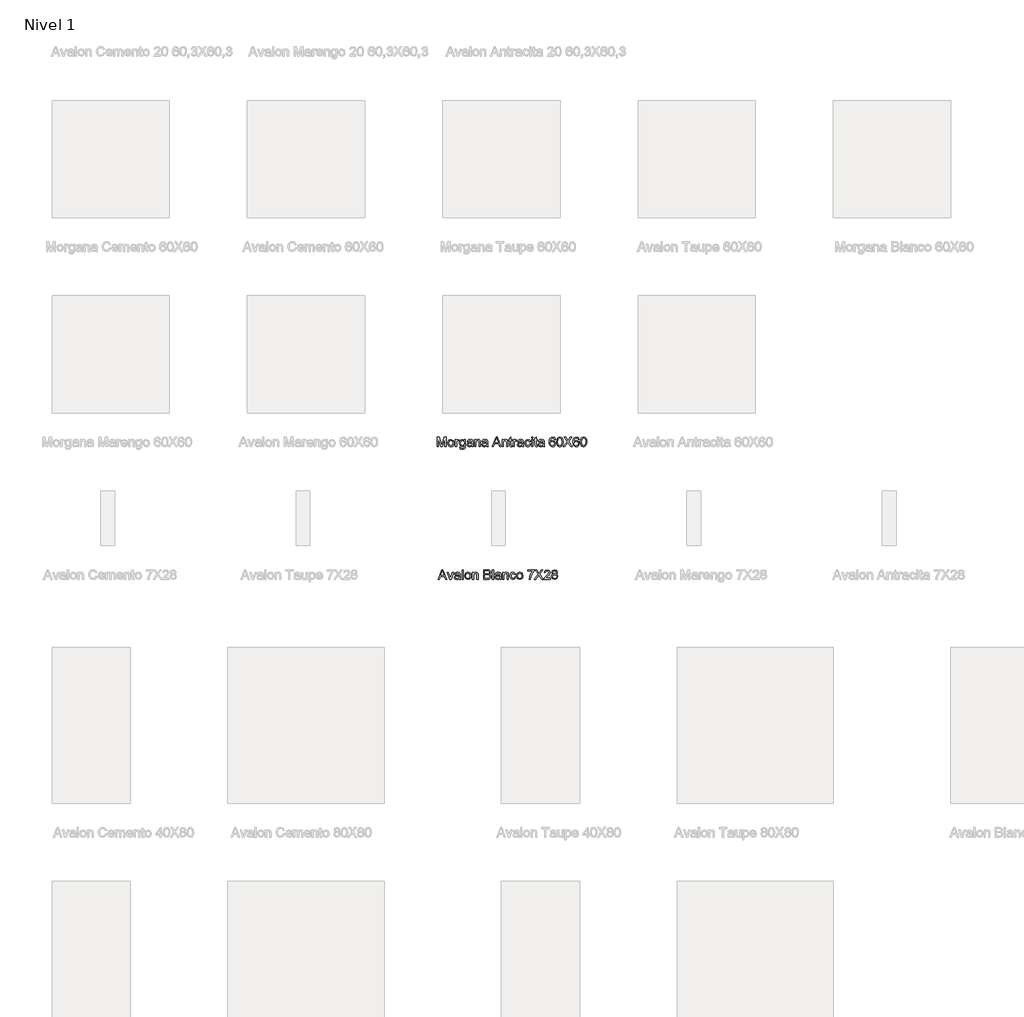
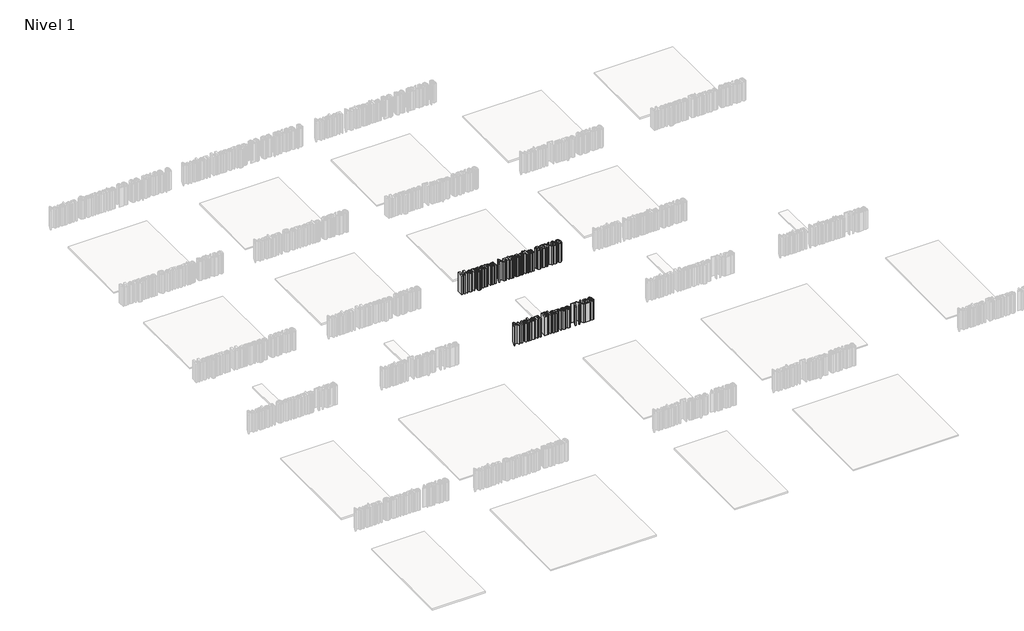
# One storey, part 6 of 11: 2 proxies.
"""IFC4 building model written with IfcOpenShell, lengths in millimetres."""

from ifc_helpers import new_model, si_unit, origin, origin_with_axes, place, context, project, spatial, polyline, outline, extrude, element, save

model = new_model("IFC4")

# Units and contexts
model_context = context("Model", 3, world=origin())
ifc_project = project(units=[si_unit("LENGTHUNIT", "METRE", prefix="MILLI")], contexts=[model_context])

# Site, building, storey
site = spatial("IfcSite", under=ifc_project)
building = spatial("IfcBuilding", under=site)
storey = spatial("IfcBuildingStorey", under=building, Name="Nivel 1", Elevation=0.0)

# Proxies
placement = place(None, origin())
element("IfcBuildingElementProxy", 1, Name="Texto de modelo 1", ObjectType="Texto de modelo 1", at=placement, inside=storey, context=model_context, shape_type="SweptSolid", body=[
    extrude(outline(polyline([(1971.5673496, -2172.9229512), (1971.5673496, -2123.692182), (1982.156292, -2123.692182), (1992.2284073, -2158.3917012), (1994.2596573, -2165.6392974), (1996.4591766, -2157.7907397), (2006.3630227, -2123.692182), (2016.951965, -2123.692182), (2016.951965, -2172.9229512), (2010.7981189, -2172.9229512), (2010.7981189, -2129.8460282), (1998.4303304, -2172.9229512), (1990.0889843, -2172.9229512), (1977.7211958, -2129.8460282), (1977.7211958, -2172.9229512), (1971.5673496, -2172.9229512)])), origin_with_axes(), (0.0, 0.0, 1.0), 150.0),
    extrude(outline(polyline([(2025.4135035, -2154.8460282), (2026.7446333, -2146.1290811), (2030.7380227, -2140.0022782), (2041.5793689, -2135.9998743), (2053.2079746, -2140.8736724), (2057.7211958, -2154.3412205), (2055.7260035, -2165.2907397), (2049.9147054, -2171.4866532), (2041.5793689, -2173.692182), (2029.8786477, -2168.8364128), (2025.4135035, -2154.8460282)]), holes=[polyline([(2031.5673496, -2154.8340089), (2034.4159073, -2164.3712686), (2041.5793689, -2167.5383359), (2048.718792, -2164.3532397), (2051.5673496, -2154.6417012), (2048.7007631, -2145.3207878), (2041.5793689, -2142.1537205), (2034.4159073, -2145.3087686), (2031.5673496, -2154.8340089)])]), origin_with_axes(), (0.0, 0.0, 1.0), 150.0),
    extrude(outline(polyline([(2064.6442727, -2172.9229512), (2064.6442727, -2136.7691051), (2070.0288881, -2136.7691051), (2070.0288881, -2142.1176628), (2073.8510035, -2137.1897782), (2077.6971573, -2135.9998743), (2083.875042, -2137.8989128), (2081.8197535, -2143.4157397), (2077.4928304, -2142.1537205), (2074.0132631, -2143.3676628), (2071.795715, -2146.7330474), (2070.7981189, -2153.9205474), (2070.7981189, -2172.9229512), (2064.6442727, -2172.9229512)])), origin_with_axes(), (0.0, 0.0, 1.0), 150.0),
    extrude(outline(polyline([(2086.1827343, -2175.9998743), (2092.3365804, -2176.7691051), (2094.3317727, -2180.0142974), (2100.3053304, -2181.3844897), (2106.6034073, -2179.8340089), (2109.608215, -2175.4830474), (2110.0288881, -2168.3075666), (2100.4135035, -2172.9229512), (2089.3377823, -2167.5503551), (2085.4135035, -2154.6657397), (2087.1743208, -2145.1284801), (2092.2704746, -2138.379682), (2100.1130227, -2135.9998743), (2110.0288881, -2141.3844897), (2110.0288881, -2136.7691051), (2116.1827343, -2136.7691051), (2116.1827343, -2167.9830474), (2114.500042, -2179.9361724), (2109.1695131, -2185.4950666), (2100.1851381, -2187.5383359), (2089.9507631, -2184.6597301), (2086.1827343, -2175.9998743)]), holes=[polyline([(2091.5673496, -2154.2450666), (2094.1935516, -2163.770307), (2100.7860996, -2166.7691051), (2107.3666285, -2163.7883359), (2110.0288881, -2154.4253551), (2107.2885035, -2145.2486724), (2100.6899458, -2142.1537205), (2094.2296093, -2145.2005955), (2091.5673496, -2154.2450666)])]), origin_with_axes(), (0.0, 0.0, 1.0), 150.0),
    extrude(outline(polyline([(2148.4904266, -2168.3075666), (2142.5228785, -2172.4782397), (2135.9303304, -2173.692182), (2126.9940323, -2170.7715089), (2123.875042, -2163.3075666), (2125.0529266, -2158.4397782), (2128.1478785, -2154.9061243), (2132.4567727, -2152.8868936), (2137.781292, -2151.9614128), (2148.4543689, -2149.8460282), (2146.795715, -2143.9325666), (2139.9928304, -2142.1537205), (2133.7668689, -2143.3376147), (2130.7981189, -2147.5383359), (2124.6442727, -2146.7691051), (2127.3065323, -2140.7594897), (2132.6671093, -2137.2378551), (2140.7860996, -2135.9998743), (2148.2440323, -2137.0936243), (2152.4567727, -2139.8400186), (2154.343792, -2144.0167012), (2154.6442727, -2149.4013166), (2154.6442727, -2157.0575666), (2154.9567727, -2167.7486724), (2156.1827343, -2172.9229512), (2150.0288881, -2172.9229512), (2148.4904266, -2168.3075666)]), holes=[polyline([(2148.4904266, -2155.9998743), (2138.562542, -2157.8868936), (2133.2680708, -2158.8844897), (2130.8702343, -2160.5070859), (2130.0288881, -2162.8748743), (2131.8618208, -2166.2042012), (2137.2404266, -2167.5383359), (2143.4663881, -2166.0659801), (2147.4808112, -2162.5022782), (2148.4543689, -2157.7426628), (2148.4904266, -2155.9998743)])]), origin_with_axes(), (0.0, 0.0, 1.0), 150.0),
    extrude(outline(polyline([(2163.1058112, -2172.9229512), (2163.1058112, -2136.7691051), (2169.2596573, -2136.7691051), (2169.2596573, -2141.817182), (2173.9651862, -2137.4542012), (2180.389465, -2135.9998743), (2186.2007631, -2137.1717493), (2190.1671093, -2140.2486724), (2192.0120612, -2144.7739128), (2192.3365804, -2150.723432), (2192.3365804, -2172.9229512), (2186.1827343, -2172.9229512), (2186.1827343, -2151.5527589), (2185.4735996, -2146.1080474), (2182.96759, -2143.2294416), (2178.7428304, -2142.1537205), (2172.0661477, -2144.5695859), (2169.2596573, -2153.7402589), (2169.2596573, -2172.9229512), (2163.1058112, -2172.9229512)])), origin_with_axes(), (0.0, 0.0, 1.0), 150.0),
    extrude(outline(polyline([(2223.875042, -2168.3075666), (2217.9074939, -2172.4782397), (2211.3149458, -2173.692182), (2202.3786477, -2170.7715089), (2199.2596573, -2163.3075666), (2200.437542, -2158.4397782), (2203.5324939, -2154.9061243), (2207.8413881, -2152.8868936), (2213.1659073, -2151.9614128), (2223.8389843, -2149.8460282), (2222.1803304, -2143.9325666), (2215.3774458, -2142.1537205), (2209.1514843, -2143.3376147), (2206.1827343, -2147.5383359), (2200.0288881, -2146.7691051), (2202.6911477, -2140.7594897), (2208.0517246, -2137.2378551), (2216.170715, -2135.9998743), (2223.6286477, -2137.0936243), (2227.8413881, -2139.8400186), (2229.7284073, -2144.0167012), (2230.0288881, -2149.4013166), (2230.0288881, -2157.0575666), (2230.3413881, -2167.7486724), (2231.5673496, -2172.9229512), (2225.4135035, -2172.9229512), (2223.875042, -2168.3075666)]), holes=[polyline([(2223.875042, -2155.9998743), (2213.9471573, -2157.8868936), (2208.6526862, -2158.8844897), (2206.2548496, -2160.5070859), (2205.4135035, -2162.8748743), (2207.2464362, -2166.2042012), (2212.625042, -2167.5383359), (2218.8510035, -2166.0659801), (2222.8654266, -2162.5022782), (2223.8389843, -2157.7426628), (2223.875042, -2155.9998743)])]), origin_with_axes(), (0.0, 0.0, 1.0), 150.0),
    extrude(outline(polyline([(2252.7572535, -2172.9229512), (2272.4086958, -2123.692182), (2277.6490804, -2123.692182), (2297.3005227, -2172.9229512), (2290.7981189, -2172.9229512), (2285.1610996, -2157.5383359), (2264.8846573, -2157.5383359), (2259.2596573, -2172.9229512), (2252.7572535, -2172.9229512)]), holes=[polyline([(2267.1442727, -2151.3844897), (2282.9135035, -2151.3844897), (2278.4784073, -2139.2811243), (2275.0288881, -2129.8460282), (2271.9639843, -2138.223432), (2267.1442727, -2151.3844897)])]), origin_with_axes(), (0.0, 0.0, 1.0), 150.0),
    extrude(outline(polyline([(2303.1058112, -2172.9229512), (2303.1058112, -2136.7691051), (2309.2596573, -2136.7691051), (2309.2596573, -2141.817182), (2313.9651862, -2137.4542012), (2320.389465, -2135.9998743), (2326.2007631, -2137.1717493), (2330.1671093, -2140.2486724), (2332.0120612, -2144.7739128), (2332.3365804, -2150.723432), (2332.3365804, -2172.9229512), (2326.1827343, -2172.9229512), (2326.1827343, -2151.5527589), (2325.4735996, -2146.1080474), (2322.96759, -2143.2294416), (2318.7428304, -2142.1537205), (2312.0661477, -2144.5695859), (2309.2596573, -2153.7402589), (2309.2596573, -2172.9229512), (2303.1058112, -2172.9229512)])), origin_with_axes(), (0.0, 0.0, 1.0), 150.0),
    extrude(outline(polyline([(2353.875042, -2167.7907397), (2354.6442727, -2173.1032397), (2350.0409073, -2173.692182), (2344.8846573, -2172.6705474), (2342.312542, -2169.9902589), (2341.5673496, -2163.0070859), (2341.5673496, -2142.9229512), (2336.951965, -2142.9229512), (2336.951965, -2136.7691051), (2341.5673496, -2136.7691051), (2341.5673496, -2127.9830474), (2347.7211958, -2124.3652589), (2347.7211958, -2136.7691051), (2353.875042, -2136.7691051), (2353.875042, -2142.9229512), (2347.7211958, -2142.9229512), (2347.7211958, -2162.8267974), (2348.045715, -2165.9998743), (2351.1947535, -2167.5383359), (2353.875042, -2167.7907397)])), origin_with_axes(), (0.0, 0.0, 1.0), 150.0),
    extrude(outline(polyline([(2360.0288881, -2172.9229512), (2360.0288881, -2136.7691051), (2365.4135035, -2136.7691051), (2365.4135035, -2142.1176628), (2369.2356189, -2137.1897782), (2373.0817727, -2135.9998743), (2379.2596573, -2137.8989128), (2377.2043689, -2143.4157397), (2372.8774458, -2142.1537205), (2369.3978785, -2143.3676628), (2367.1803304, -2146.7330474), (2366.1827343, -2153.9205474), (2366.1827343, -2172.9229512), (2360.0288881, -2172.9229512)])), origin_with_axes(), (0.0, 0.0, 1.0), 150.0),
    extrude(outline(polyline([(2406.1827343, -2168.3075666), (2400.2151862, -2172.4782397), (2393.6226381, -2173.692182), (2384.68634, -2170.7715089), (2381.5673496, -2163.3075666), (2382.7452343, -2158.4397782), (2385.8401862, -2154.9061243), (2390.1490804, -2152.8868936), (2395.4735996, -2151.9614128), (2406.1466766, -2149.8460282), (2404.4880227, -2143.9325666), (2397.6851381, -2142.1537205), (2391.4591766, -2143.3376147), (2388.4904266, -2147.5383359), (2382.3365804, -2146.7691051), (2384.99884, -2140.7594897), (2390.359417, -2137.2378551), (2398.4784073, -2135.9998743), (2405.93634, -2137.0936243), (2410.1490804, -2139.8400186), (2412.0360996, -2144.0167012), (2412.3365804, -2149.4013166), (2412.3365804, -2157.0575666), (2412.6490804, -2167.7486724), (2413.875042, -2172.9229512), (2407.7211958, -2172.9229512), (2406.1827343, -2168.3075666)]), holes=[polyline([(2406.1827343, -2155.9998743), (2396.2548496, -2157.8868936), (2390.9603785, -2158.8844897), (2388.562542, -2160.5070859), (2387.7211958, -2162.8748743), (2389.5541285, -2166.2042012), (2394.9327343, -2167.5383359), (2401.1586958, -2166.0659801), (2405.1731189, -2162.5022782), (2406.1466766, -2157.7426628), (2406.1827343, -2155.9998743)])]), origin_with_axes(), (0.0, 0.0, 1.0), 150.0),
    extrude(outline(polyline([(2443.875042, -2159.8460282), (2450.0288881, -2160.6152589), (2445.0889843, -2170.2246339), (2435.3293689, -2173.692182), (2423.6647054, -2168.8544416), (2419.2596573, -2154.9782397), (2421.140667, -2144.7558839), (2426.87384, -2138.1873743), (2435.2452343, -2135.9998743), (2444.6022054, -2139.004682), (2449.2596573, -2147.5383359), (2443.1058112, -2148.3075666), (2440.2512439, -2143.6981916), (2435.2933112, -2142.1537205), (2428.1598977, -2145.1945859), (2425.4135035, -2154.8099705), (2428.0998016, -2164.5154993), (2435.125042, -2167.5383359), (2440.9243208, -2165.6513166), (2443.875042, -2159.8460282)])), origin_with_axes(), (0.0, 0.0, 1.0), 150.0),
    extrude(outline(polyline([(2455.4135035, -2129.8460282), (2455.4135035, -2123.692182), (2461.5673496, -2123.692182), (2461.5673496, -2129.8460282), (2455.4135035, -2129.8460282)])), origin_with_axes(), (0.0, 0.0, 1.0), 150.0),
    extrude(outline(polyline([(2455.4135035, -2172.9229512), (2455.4135035, -2136.7691051), (2461.5673496, -2136.7691051), (2461.5673496, -2172.9229512), (2455.4135035, -2172.9229512)])), origin_with_axes(), (0.0, 0.0, 1.0), 150.0),
    extrude(outline(polyline([(2483.875042, -2167.7907397), (2484.6442727, -2173.1032397), (2480.0409073, -2173.692182), (2474.8846573, -2172.6705474), (2472.312542, -2169.9902589), (2471.5673496, -2163.0070859), (2471.5673496, -2142.9229512), (2466.951965, -2142.9229512), (2466.951965, -2136.7691051), (2471.5673496, -2136.7691051), (2471.5673496, -2127.9830474), (2477.7211958, -2124.3652589), (2477.7211958, -2136.7691051), (2483.875042, -2136.7691051), (2483.875042, -2142.9229512), (2477.7211958, -2142.9229512), (2477.7211958, -2162.8267974), (2478.045715, -2165.9998743), (2481.1947535, -2167.5383359), (2483.875042, -2167.7907397)])), origin_with_axes(), (0.0, 0.0, 1.0), 150.0),
    extrude(outline(polyline([(2513.1058112, -2168.3075666), (2507.1382631, -2172.4782397), (2500.545715, -2173.692182), (2491.609417, -2170.7715089), (2488.4904266, -2163.3075666), (2489.6683112, -2158.4397782), (2492.7632631, -2154.9061243), (2497.0721573, -2152.8868936), (2502.3966766, -2151.9614128), (2513.0697535, -2149.8460282), (2511.4110996, -2143.9325666), (2504.608215, -2142.1537205), (2498.3822535, -2143.3376147), (2495.4135035, -2147.5383359), (2489.2596573, -2146.7691051), (2491.921917, -2140.7594897), (2497.2824939, -2137.2378551), (2505.4014843, -2135.9998743), (2512.859417, -2137.0936243), (2517.0721573, -2139.8400186), (2518.9591766, -2144.0167012), (2519.2596573, -2149.4013166), (2519.2596573, -2157.0575666), (2519.5721573, -2167.7486724), (2520.7981189, -2172.9229512), (2514.6442727, -2172.9229512), (2513.1058112, -2168.3075666)]), holes=[polyline([(2513.1058112, -2155.9998743), (2503.1779266, -2157.8868936), (2497.8834554, -2158.8844897), (2495.4856189, -2160.5070859), (2494.6442727, -2162.8748743), (2496.4772054, -2166.2042012), (2501.8558112, -2167.5383359), (2508.0817727, -2166.0659801), (2512.0961958, -2162.5022782), (2513.0697535, -2157.7426628), (2513.1058112, -2155.9998743)])]), origin_with_axes(), (0.0, 0.0, 1.0), 150.0),
    extrude(outline(polyline([(2576.951965, -2136.7691051), (2570.7981189, -2137.5383359), (2568.4663881, -2132.4061243), (2562.3005227, -2129.8460282), (2556.7476381, -2131.3364128), (2552.546917, -2136.9313647), (2550.7981189, -2147.8989128), (2556.2248016, -2142.989057), (2562.9495612, -2141.3844897), (2573.406292, -2145.7715089), (2577.7211958, -2157.1056436), (2575.6899458, -2165.5972301), (2570.1010035, -2171.6068455), (2562.0360996, -2173.692182), (2549.4940323, -2168.1633359), (2545.8567126, -2160.8436243), (2544.6442727, -2149.942182), (2545.9904266, -2137.6855714), (2550.0288881, -2129.3051628), (2555.5427102, -2125.0954272), (2562.6851381, -2123.692182), (2572.4086958, -2127.1657397), (2576.951965, -2136.7691051)]), holes=[polyline([(2550.7981189, -2157.0094897), (2552.2223977, -2162.3400186), (2556.0084554, -2166.2102109), (2561.5553304, -2167.5383359), (2568.8089362, -2164.785932), (2571.5673496, -2157.3099705), (2568.8449939, -2150.1525186), (2561.3029266, -2147.5383359), (2553.8570131, -2150.1525186), (2550.7981189, -2157.0094897)])]), origin_with_axes(), (0.0, 0.0, 1.0), 150.0),
    extrude(outline(polyline([(2583.1058112, -2148.7042012), (2584.9147054, -2134.5395378), (2590.2873016, -2126.3724705), (2599.2596573, -2123.692182), (2606.4471573, -2125.2787205), (2611.4110996, -2129.8520378), (2614.295715, -2137.1356916), (2615.4135035, -2148.7042012), (2613.6226381, -2162.8087686), (2608.2680708, -2170.9938647), (2599.2596573, -2173.692182), (2588.0096573, -2169.004682), (2584.3317727, -2160.6783599), (2583.1058112, -2148.7042012)]), holes=[polyline([(2589.2596573, -2148.692182), (2592.1442727, -2163.9746339), (2599.2596573, -2167.5383359), (2606.375042, -2163.9626147), (2609.2596573, -2148.692182), (2606.4711958, -2133.5840089), (2599.187542, -2129.8460282), (2592.2404266, -2133.1392974), (2589.2596573, -2148.692182)])]), origin_with_axes(), (0.0, 0.0, 1.0), 150.0),
    extrude(outline(polyline([(2617.7211958, -2172.9229512), (2636.6995612, -2146.0960282), (2620.7981189, -2123.692182), (2628.1779266, -2123.692182), (2637.1322535, -2136.3003551), (2640.1490804, -2141.2162205), (2643.6827343, -2136.2162205), (2652.5409073, -2123.692182), (2660.0288881, -2123.692182), (2644.1274458, -2146.1681436), (2663.1058112, -2172.9229512), (2655.7260035, -2172.9229512), (2643.0817727, -2155.0864128), (2640.4495612, -2151.3844897), (2637.5529266, -2155.4469897), (2625.2091766, -2172.9229512), (2617.7211958, -2172.9229512)])), origin_with_axes(), (0.0, 0.0, 1.0), 150.0),
    extrude(outline(polyline([(2698.4904266, -2136.7691051), (2692.3365804, -2137.5383359), (2690.0048496, -2132.4061243), (2683.8389843, -2129.8460282), (2678.2860996, -2131.3364128), (2674.0853785, -2136.9313647), (2672.3365804, -2147.8989128), (2677.7632631, -2142.989057), (2684.4880227, -2141.3844897), (2694.9447535, -2145.7715089), (2699.2596573, -2157.1056436), (2697.2284073, -2165.5972301), (2691.639465, -2171.6068455), (2683.5745612, -2173.692182), (2671.0324939, -2168.1633359), (2667.3951742, -2160.8436243), (2666.1827343, -2149.942182), (2667.5288881, -2137.6855714), (2671.5673496, -2129.3051628), (2677.0811718, -2125.0954272), (2684.2235996, -2123.692182), (2693.9471573, -2127.1657397), (2698.4904266, -2136.7691051)]), holes=[polyline([(2672.3365804, -2157.0094897), (2673.7608593, -2162.3400186), (2677.546917, -2166.2102109), (2683.093792, -2167.5383359), (2690.3473977, -2164.785932), (2693.1058112, -2157.3099705), (2690.3834554, -2150.1525186), (2682.8413881, -2147.5383359), (2675.3954746, -2150.1525186), (2672.3365804, -2157.0094897)])]), origin_with_axes(), (0.0, 0.0, 1.0), 150.0),
    extrude(outline(polyline([(2704.6442727, -2148.7042012), (2706.453167, -2134.5395378), (2711.8257631, -2126.3724705), (2720.7981189, -2123.692182), (2727.9856189, -2125.2787205), (2732.9495612, -2129.8520378), (2735.8341766, -2137.1356916), (2736.951965, -2148.7042012), (2735.1610996, -2162.8087686), (2729.8065323, -2170.9938647), (2720.7981189, -2173.692182), (2709.5481189, -2169.004682), (2705.8702343, -2160.6783599), (2704.6442727, -2148.7042012)]), holes=[polyline([(2710.7981189, -2148.692182), (2713.6827343, -2163.9746339), (2720.7981189, -2167.5383359), (2727.9135035, -2163.9626147), (2730.7981189, -2148.692182), (2728.0096573, -2133.5840089), (2720.7260035, -2129.8460282), (2713.7788881, -2133.1392974), (2710.7981189, -2148.692182)])]), origin_with_axes(), (0.0, 0.0, 1.0), 150.0),
])
element("IfcBuildingElementProxy", 2, Name="Texto de modelo 1", ObjectType="Texto de modelo 1", at=placement, inside=storey, context=model_context, shape_type="SweptSolid", body=[
    extrude(outline(polyline([(1975.8341766, -2852.9229512), (1995.4856189, -2803.692182), (2000.7260035, -2803.692182), (2020.3774458, -2852.9229512), (2013.875042, -2852.9229512), (2008.2380227, -2837.5383359), (1987.9615804, -2837.5383359), (1982.3365804, -2852.9229512), (1975.8341766, -2852.9229512)]), holes=[polyline([(1990.2211958, -2831.3844897), (2005.9904266, -2831.3844897), (2001.5553304, -2819.2811243), (1998.1058112, -2809.8460282), (1995.0409073, -2818.223432), (1990.2211958, -2831.3844897)])]), origin_with_axes(), (0.0, 0.0, 1.0), 150.0),
    extrude(outline(polyline([(2035.0529266, -2852.9229512), (2022.3365804, -2816.7691051), (2028.8510035, -2816.7691051), (2036.5553304, -2838.4277589), (2038.875042, -2845.7114128), (2041.1466766, -2838.8364128), (2048.8990804, -2816.7691051), (2055.4135035, -2816.7691051), (2042.8534073, -2852.9229512), (2035.0529266, -2852.9229512)])), origin_with_axes(), (0.0, 0.0, 1.0), 150.0),
    extrude(outline(polyline([(2083.875042, -2848.3075666), (2077.9074939, -2852.4782397), (2071.3149458, -2853.692182), (2062.3786477, -2850.7715089), (2059.2596573, -2843.3075666), (2060.437542, -2838.4397782), (2063.5324939, -2834.9061243), (2067.8413881, -2832.8868936), (2073.1659073, -2831.9614128), (2083.8389843, -2829.8460282), (2082.1803304, -2823.9325666), (2075.3774458, -2822.1537205), (2069.1514843, -2823.3376147), (2066.1827343, -2827.5383359), (2060.0288881, -2826.7691051), (2062.6911477, -2820.7594897), (2068.0517246, -2817.2378551), (2076.170715, -2815.9998743), (2083.6286477, -2817.0936243), (2087.8413881, -2819.8400186), (2089.7284073, -2824.0167012), (2090.0288881, -2829.4013166), (2090.0288881, -2837.0575666), (2090.3413881, -2847.7486724), (2091.5673496, -2852.9229512), (2085.4135035, -2852.9229512), (2083.875042, -2848.3075666)]), holes=[polyline([(2083.875042, -2835.9998743), (2073.9471573, -2837.8868936), (2068.6526862, -2838.8844897), (2066.2548496, -2840.5070859), (2065.4135035, -2842.8748743), (2067.2464362, -2846.2042012), (2072.625042, -2847.5383359), (2078.8510035, -2846.0659801), (2082.8654266, -2842.5022782), (2083.8389843, -2837.7426628), (2083.875042, -2835.9998743)])]), origin_with_axes(), (0.0, 0.0, 1.0), 150.0),
    extrude(outline(polyline([(2098.4904266, -2852.9229512), (2098.4904266, -2803.692182), (2104.6442727, -2803.692182), (2104.6442727, -2852.9229512), (2098.4904266, -2852.9229512)])), origin_with_axes(), (0.0, 0.0, 1.0), 150.0),
    extrude(outline(polyline([(2112.3365804, -2834.8460282), (2113.6677102, -2826.1290811), (2117.6610996, -2820.0022782), (2128.5024458, -2815.9998743), (2140.1310516, -2820.8736724), (2144.6442727, -2834.3412205), (2142.6490804, -2845.2907397), (2136.8377823, -2851.4866532), (2128.5024458, -2853.692182), (2116.8017246, -2848.8364128), (2112.3365804, -2834.8460282)]), holes=[polyline([(2118.4904266, -2834.8340089), (2121.3389843, -2844.3712686), (2128.5024458, -2847.5383359), (2135.6418689, -2844.3532397), (2138.4904266, -2834.6417012), (2135.62384, -2825.3207878), (2128.5024458, -2822.1537205), (2121.3389843, -2825.3087686), (2118.4904266, -2834.8340089)])]), origin_with_axes(), (0.0, 0.0, 1.0), 150.0),
    extrude(outline(polyline([(2151.5673496, -2852.9229512), (2151.5673496, -2816.7691051), (2157.7211958, -2816.7691051), (2157.7211958, -2821.817182), (2162.4267246, -2817.4542012), (2168.8510035, -2815.9998743), (2174.6623016, -2817.1717493), (2178.6286477, -2820.2486724), (2180.4735996, -2824.7739128), (2180.7981189, -2830.723432), (2180.7981189, -2852.9229512), (2174.6442727, -2852.9229512), (2174.6442727, -2831.5527589), (2173.9351381, -2826.1080474), (2171.4291285, -2823.2294416), (2167.2043689, -2822.1537205), (2160.5276862, -2824.5695859), (2157.7211958, -2833.7402589), (2157.7211958, -2852.9229512), (2151.5673496, -2852.9229512)])), origin_with_axes(), (0.0, 0.0, 1.0), 150.0),
    extrude(outline(polyline([(2209.2596573, -2852.9229512), (2209.2596573, -2803.692182), (2228.045715, -2803.692182), (2237.2464362, -2805.1404993), (2242.6791285, -2809.5936243), (2244.6442727, -2815.8917012), (2242.9916285, -2821.6429032), (2237.9976381, -2825.9998743), (2244.06134, -2830.5912205), (2246.1827343, -2838.2474705), (2244.734417, -2844.864057), (2241.1466766, -2849.5755955), (2235.7921093, -2852.0755955), (2227.9014843, -2852.9229512), (2209.2596573, -2852.9229512)]), holes=[polyline([(2215.4135035, -2823.692182), (2226.6514843, -2823.692182), (2233.2139843, -2823.1633359), (2237.1623016, -2820.8856916), (2238.4904266, -2816.8772782), (2237.2524458, -2812.8628551), (2233.7067727, -2810.489057), (2225.7981189, -2809.8460282), (2215.4135035, -2809.8460282), (2215.4135035, -2823.692182)]), polyline([(2215.4135035, -2846.7691051), (2228.0336958, -2846.7691051), (2232.6010035, -2846.5287205), (2236.4651862, -2845.1885762), (2239.0252823, -2842.4542012), (2240.0288881, -2838.3075666), (2238.8510035, -2833.5239128), (2235.0348977, -2830.6693455), (2227.4327343, -2829.8460282), (2215.4135035, -2829.8460282), (2215.4135035, -2846.7691051)])]), origin_with_axes(), (0.0, 0.0, 1.0), 150.0),
    extrude(outline(polyline([(2253.875042, -2852.9229512), (2253.875042, -2803.692182), (2260.0288881, -2803.692182), (2260.0288881, -2852.9229512), (2253.875042, -2852.9229512)])), origin_with_axes(), (0.0, 0.0, 1.0), 150.0),
    extrude(outline(polyline([(2292.3365804, -2848.3075666), (2286.3690323, -2852.4782397), (2279.7764843, -2853.692182), (2270.8401862, -2850.7715089), (2267.7211958, -2843.3075666), (2268.8990804, -2838.4397782), (2271.9940323, -2834.9061243), (2276.3029266, -2832.8868936), (2281.6274458, -2831.9614128), (2292.3005227, -2829.8460282), (2290.6418689, -2823.9325666), (2283.8389843, -2822.1537205), (2277.6130227, -2823.3376147), (2274.6442727, -2827.5383359), (2268.4904266, -2826.7691051), (2271.1526862, -2820.7594897), (2276.5132631, -2817.2378551), (2284.6322535, -2815.9998743), (2292.0901862, -2817.0936243), (2296.3029266, -2819.8400186), (2298.1899458, -2824.0167012), (2298.4904266, -2829.4013166), (2298.4904266, -2837.0575666), (2298.8029266, -2847.7486724), (2300.0288881, -2852.9229512), (2293.875042, -2852.9229512), (2292.3365804, -2848.3075666)]), holes=[polyline([(2292.3365804, -2835.9998743), (2282.4086958, -2837.8868936), (2277.1142246, -2838.8844897), (2274.7163881, -2840.5070859), (2273.875042, -2842.8748743), (2275.7079746, -2846.2042012), (2281.0865804, -2847.5383359), (2287.312542, -2846.0659801), (2291.326965, -2842.5022782), (2292.3005227, -2837.7426628), (2292.3365804, -2835.9998743)])]), origin_with_axes(), (0.0, 0.0, 1.0), 150.0),
    extrude(outline(polyline([(2306.951965, -2852.9229512), (2306.951965, -2816.7691051), (2313.1058112, -2816.7691051), (2313.1058112, -2821.817182), (2317.81134, -2817.4542012), (2324.2356189, -2815.9998743), (2330.046917, -2817.1717493), (2334.0132631, -2820.2486724), (2335.858215, -2824.7739128), (2336.1827343, -2830.723432), (2336.1827343, -2852.9229512), (2330.0288881, -2852.9229512), (2330.0288881, -2831.5527589), (2329.3197535, -2826.1080474), (2326.8137439, -2823.2294416), (2322.5889843, -2822.1537205), (2315.9123016, -2824.5695859), (2313.1058112, -2833.7402589), (2313.1058112, -2852.9229512), (2306.951965, -2852.9229512)])), origin_with_axes(), (0.0, 0.0, 1.0), 150.0),
    extrude(outline(polyline([(2367.7211958, -2839.8460282), (2373.875042, -2840.6152589), (2368.9351381, -2850.2246339), (2359.1755227, -2853.692182), (2347.5108593, -2848.8544416), (2343.1058112, -2834.9782397), (2344.9868208, -2824.7558839), (2350.7199939, -2818.1873743), (2359.0913881, -2815.9998743), (2368.4483593, -2819.004682), (2373.1058112, -2827.5383359), (2366.951965, -2828.3075666), (2364.0973977, -2823.6981916), (2359.139465, -2822.1537205), (2352.0060516, -2825.1945859), (2349.2596573, -2834.8099705), (2351.9459554, -2844.5154993), (2358.9711958, -2847.5383359), (2364.7704746, -2845.6513166), (2367.7211958, -2839.8460282)])), origin_with_axes(), (0.0, 0.0, 1.0), 150.0),
    extrude(outline(polyline([(2377.7211958, -2834.8460282), (2379.0523256, -2826.1290811), (2383.045715, -2820.0022782), (2393.8870612, -2815.9998743), (2405.515667, -2820.8736724), (2410.0288881, -2834.3412205), (2408.0336958, -2845.2907397), (2402.2223977, -2851.4866532), (2393.8870612, -2853.692182), (2382.18634, -2848.8364128), (2377.7211958, -2834.8460282)]), holes=[polyline([(2383.875042, -2834.8340089), (2386.7235996, -2844.3712686), (2393.8870612, -2847.5383359), (2401.0264843, -2844.3532397), (2403.875042, -2834.6417012), (2401.0084554, -2825.3207878), (2393.8870612, -2822.1537205), (2386.7235996, -2825.3087686), (2383.875042, -2834.8340089)])]), origin_with_axes(), (0.0, 0.0, 1.0), 150.0),
    extrude(outline(polyline([(2434.6442727, -2810.6152589), (2434.6442727, -2804.4614128), (2466.951965, -2804.4614128), (2466.951965, -2809.4373743), (2457.7873016, -2822.676557), (2450.7740804, -2839.5455474), (2448.4904266, -2852.9229512), (2442.3365804, -2852.9229512), (2444.7824939, -2839.0407397), (2451.4952343, -2823.3496339), (2460.7981189, -2810.6152589), (2434.6442727, -2810.6152589)])), origin_with_axes(), (0.0, 0.0, 1.0), 150.0),
    extrude(outline(polyline([(2469.2596573, -2852.9229512), (2488.2380227, -2826.0960282), (2472.3365804, -2803.692182), (2479.7163881, -2803.692182), (2488.670715, -2816.3003551), (2491.687542, -2821.2162205), (2495.2211958, -2816.2162205), (2504.0793689, -2803.692182), (2511.5673496, -2803.692182), (2495.6659073, -2826.1681436), (2514.6442727, -2852.9229512), (2507.264465, -2852.9229512), (2494.6202343, -2835.0864128), (2491.9880227, -2831.3844897), (2489.0913881, -2835.4469897), (2476.7476381, -2852.9229512), (2469.2596573, -2852.9229512)])), origin_with_axes(), (0.0, 0.0, 1.0), 150.0),
    extrude(outline(polyline([(2550.0288881, -2846.7691051), (2550.0288881, -2852.9229512), (2517.7211958, -2852.9229512), (2518.3822535, -2848.6801628), (2522.1202343, -2842.1477109), (2529.8245612, -2835.0142974), (2540.4495612, -2824.7618936), (2543.1058112, -2817.7907397), (2540.5998016, -2812.1477109), (2534.0553304, -2809.8460282), (2527.234417, -2812.0936243), (2524.6442727, -2818.3075666), (2518.4904266, -2817.5383359), (2523.2079746, -2807.2378551), (2534.187542, -2803.692182), (2545.203167, -2807.6344897), (2549.2596573, -2817.4181436), (2548.1659073, -2823.2534801), (2544.53009, -2829.2871339), (2535.7139843, -2837.7186243), (2528.6346573, -2843.6380955), (2525.858215, -2846.7691051), (2550.0288881, -2846.7691051)])), origin_with_axes(), (0.0, 0.0, 1.0), 150.0),
    extrude(outline(polyline([(2565.1490804, -2825.8075666), (2559.5421093, -2821.9854512), (2557.7211958, -2816.035932), (2561.687542, -2807.2498743), (2572.2524458, -2803.692182), (2582.9135035, -2807.3340089), (2586.951965, -2816.2042012), (2585.15509, -2822.0034801), (2579.7043689, -2825.8075666), (2586.24884, -2830.6332878), (2588.4904266, -2838.5960282), (2584.0433112, -2849.3412205), (2572.3365804, -2853.692182), (2560.6298496, -2849.3231916), (2556.1827343, -2838.4277589), (2558.514465, -2830.2787205), (2565.1490804, -2825.8075666)]), holes=[polyline([(2563.875042, -2816.2162205), (2566.0565323, -2821.0479512), (2572.4086958, -2822.9229512), (2578.6346573, -2821.0599705), (2580.7981189, -2816.4926628), (2578.562542, -2811.7630955), (2572.3365804, -2809.8460282), (2566.09259, -2811.7210282), (2563.875042, -2816.2162205)]), polyline([(2562.3365804, -2838.2114128), (2563.3642246, -2842.8448262), (2567.000042, -2846.3123743), (2572.3846573, -2847.5383359), (2579.7163881, -2844.9602109), (2582.3365804, -2838.4037205), (2579.6322535, -2831.7210282), (2572.1803304, -2829.0767974), (2564.9387439, -2831.6849705), (2562.3365804, -2838.2114128)])]), origin_with_axes(), (0.0, 0.0, 1.0), 150.0),
])

save(model, "model.ifc")
